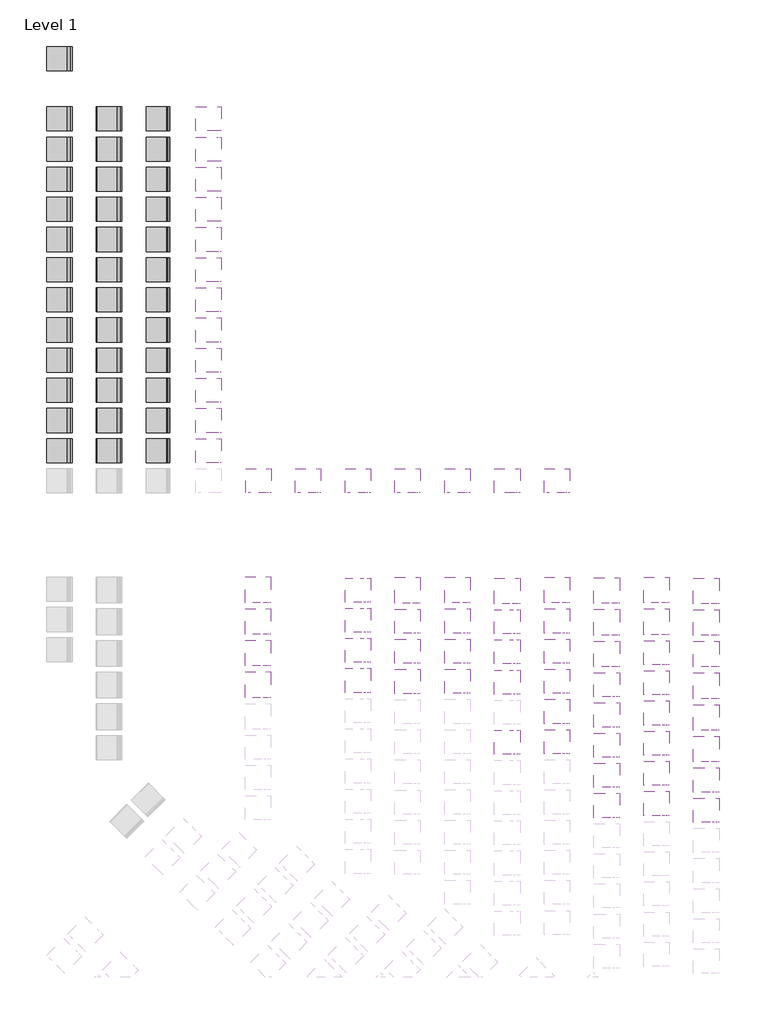
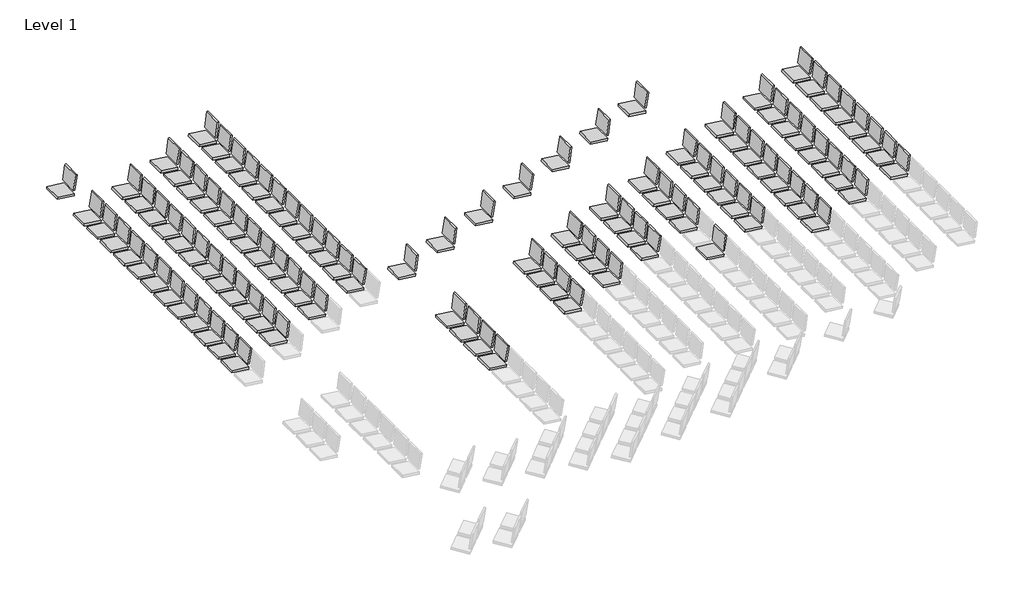
# One storey, part 14 of 19: 107 furniture elements.
"""IFC4 building model written with IfcOpenShell, lengths in millimetres."""

import ifcopenshell
import ifcopenshell.guid

model = None  # the IFC model being written
_history = None  # IfcOwnerHistory: only IFC2X3 demands one
_inside = {}  # id of a spatial element -> (the spatial element, [elements in it])
_under = {}  # id of a project, library or spatial element -> (it, [spatial elements below it])
_declared = {}  # id of a project -> (the project, [libraries it declares])
_typed = {}  # id of a type object -> (the type object, [elements of that type])
_made_of = {}  # id of a material, layer set ... -> (it, [elements and type objects made of it])


def new_model(schema):
    """Start an empty IFC model of exactly this schema.

    Asked for "IFC4X3", IfcOpenShell would pick the latest addendum, in which some entities
    have other attributes; the version numbers below select the first issue.
    IFC2X3 requires an IfcOwnerHistory on every rooted entity: one is made here for all.
    """
    global model, _history
    if schema == "IFC4X3":
        model = ifcopenshell.file(schema_version=(4, 3, 0, 0))
    else:
        model = ifcopenshell.file(schema=schema)
    _inside.clear()
    _under.clear()
    _declared.clear()
    _typed.clear()
    _made_of.clear()
    _history = None
    if model.schema == "IFC2X3":
        org = make("IfcOrganization", Name="unknown")
        user = make(
            "IfcPersonAndOrganization",
            ThePerson=make("IfcPerson", FamilyName="unknown"),
            TheOrganization=org,
        )
        app = make(
            "IfcApplication",
            ApplicationDeveloper=org,
            Version="unknown",
            ApplicationFullName="unknown",
            ApplicationIdentifier="unknown",
        )
        _history = make(
            "IfcOwnerHistory",
            OwningUser=user,
            OwningApplication=app,
            ChangeAction="ADDED",
            CreationDate=0,
        )
    return model


def make(cls, **values):
    """One entity of the class cls with the attributes given. An attribute that is None is left unset."""
    return model.create_entity(
        cls, **{name: value for name, value in values.items() if value is not None}
    )


def rooted(cls, **values):
    """An entity with a GlobalId (a new one), such as an element, a storey or a relation."""
    return make(cls, GlobalId=ifcopenshell.guid.new(), OwnerHistory=_history, **values)


def si_unit(unit_type, name, prefix=None):
    """IfcSIUnit, for example si_unit("LENGTHUNIT", "METRE", prefix="MILLI")."""
    return make("IfcSIUnit", UnitType=unit_type, Prefix=prefix, Name=name)


def assignment(units):
    """IfcUnitAssignment: the units of a project."""
    return None if units is None else make("IfcUnitAssignment", Units=units)


def point(xyz):
    """IfcCartesianPoint."""
    return None if xyz is None else make("IfcCartesianPoint", Coordinates=xyz)


def direction(xyz):
    """IfcDirection."""
    return None if xyz is None else make("IfcDirection", DirectionRatios=xyz)


def frame(location, z_axis=None, x_axis=None):
    """IfcAxis2Placement3D, a coordinate frame: its origin and axes. An axis left out is left unset."""
    return make(
        "IfcAxis2Placement3D",
        Location=point(location),
        Axis=direction(z_axis),
        RefDirection=direction(x_axis),
    )


def origin():
    """The frame at (0, 0, 0) with its axes left unset."""
    return frame((0.0, 0.0, 0.0))


def place(relative_to, where):
    """IfcLocalPlacement: puts the frame where relative to a parent placement (None: the world)."""
    return make(
        "IfcLocalPlacement", PlacementRelTo=relative_to, RelativePlacement=where
    )


def context(
    kind, dimensions, precision=None, world=None, true_north=None, identifier=None
):
    """IfcGeometricRepresentationContext, for example the 3D "Model" context."""
    return make(
        "IfcGeometricRepresentationContext",
        ContextIdentifier=identifier,
        ContextType=kind,
        CoordinateSpaceDimension=dimensions,
        Precision=precision,
        WorldCoordinateSystem=world,
        TrueNorth=true_north,
    )


def project(units=None, contexts=None):
    """IfcProject with its units and contexts."""
    return rooted(
        "IfcProject",
        Name="project",
        RepresentationContexts=contexts,
        UnitsInContext=assignment(units),
    )


def spatial(cls, under=None, at=None, **own):
    """A site, building, storey or space (cls), placed at a placement, below another one or the project."""
    s = rooted(cls, ObjectPlacement=at, **own)
    if under is not None:
        _under.setdefault(under.id(), (under, []))[1].append(s)
    return s


def ellipse_curve(where, semi_axis1, semi_axis2):
    """IfcEllipse in the frame where."""
    return make(
        "IfcEllipse", Position=where, SemiAxis1=semi_axis1, SemiAxis2=semi_axis2
    )


def trimmed(basis, trim1, trim2, sense, master):
    """IfcTrimmedCurve: the piece of a basis curve between two trims."""
    return make(
        "IfcTrimmedCurve",
        BasisCurve=basis,
        Trim1=trim1,
        Trim2=trim2,
        SenseAgreement=sense,
        MasterRepresentation=master,
    )


def faces_of(points, faces, orient=None, outer=None):
    """IfcFace entities. A face is a list of loops; a loop is a list of indices into points, from 0.

    orient and outer hold one flag for each loop. By default every Orientation is true, the
    first loop of a face is its IfcFaceOuterBound and the others are IfcFaceBound.
    """
    made = []
    for i, loops in enumerate(faces):
        bounds = []
        for j, loop in enumerate(loops):
            is_outer = j == 0 if outer is None else outer[i][j]
            bounds.append(
                make(
                    "IfcFaceOuterBound" if is_outer else "IfcFaceBound",
                    Bound=make("IfcPolyLoop", Polygon=[points[k] for k in loop]),
                    Orientation=True if orient is None else orient[i][j],
                )
            )
        made.append(make("IfcFace", Bounds=bounds))
    return made


def faceted_brep(points, faces, orient=None, outer=None, voids=None):
    """IfcFacetedBrep: a solid bounded by flat faces; with voids (closed shells), ...WithVoids."""
    shared = [point(p) for p in points]
    hull = make("IfcClosedShell", CfsFaces=faces_of(shared, faces, orient, outer))
    if voids is None:
        return make("IfcFacetedBrep", Outer=hull)
    return make(
        "IfcFacetedBrepWithVoids",
        Outer=hull,
        Voids=[
            make(cls, CfsFaces=faces_of(shared, fs, o, b)) for cls, fs, o, b in voids
        ],
    )


def shape(context_of_items, identifier, shape_type, items):
    """IfcShapeRepresentation: the items that make up one representation, for example the "Body"."""
    return make(
        "IfcShapeRepresentation",
        ContextOfItems=context_of_items,
        RepresentationIdentifier=identifier,
        RepresentationType=shape_type,
        Items=items,
    )


def source(mapping_origin, context_of_items, identifier, shape_type, items):
    """IfcRepresentationMap: a shape defined once, which mapped items show again and again."""
    return make(
        "IfcRepresentationMap",
        MappingOrigin=mapping_origin,
        MappedRepresentation=shape(context_of_items, identifier, shape_type, items),
    )


def transform(
    local_origin,
    x_axis=None,
    y_axis=None,
    z_axis=None,
    scale=None,
    scale2=None,
    scale3=None,
    uniform=True,
):
    """IfcCartesianTransformationOperator3D, or its non-uniform kind. x_axis, y_axis, z_axis: its Axis1, 2, 3."""
    if uniform:
        return make(
            "IfcCartesianTransformationOperator3D",
            Axis1=direction(x_axis),
            Axis2=direction(y_axis),
            LocalOrigin=point(local_origin),
            Scale=scale,
            Axis3=direction(z_axis),
        )
    return make(
        "IfcCartesianTransformationOperator3DnonUniform",
        Axis1=direction(x_axis),
        Axis2=direction(y_axis),
        LocalOrigin=point(local_origin),
        Scale=scale,
        Axis3=direction(z_axis),
        Scale2=scale2,
        Scale3=scale3,
    )


def mapped(mapping_source, mapping_target):
    """IfcMappedItem: shows the shape of a source again, moved by a transform."""
    return make(
        "IfcMappedItem", MappingSource=mapping_source, MappingTarget=mapping_target
    )


def made_of(thing, what):
    """Note that an element or type object is made of a material, layer set ...; save() writes the relation."""
    if what is not None:
        _made_of.setdefault(what.id(), (what, []))[1].append(thing)
    return thing


def element(
    cls,
    number,
    at=None,
    inside=None,
    cuts=None,
    type_object=None,
    material=None,
    context=None,
    identifier="Body",
    shape_type=None,
    held_by="IfcProductDefinitionShape",
    body=None,
    shapes=None,
    **own,
):
    """One element of the class cls, such as IfcWall. Its Tag is "e" and its number.

    at: its placement. inside: the storey or other place that contains it. cuts: it is an
    opening in that element (IfcRelVoidsElement). A single representation is given by context,
    identifier, shape_type and body (its items); several are given by shapes. held_by: the class
    of the entity that holds the representations. save() writes the other relations.
    """
    e = rooted(cls, Tag="e%d" % number, ObjectPlacement=at, **own)
    if body is not None:
        shapes = [shape(context, identifier, shape_type, body)]
    if shapes is not None:
        e.Representation = make(held_by, Representations=shapes)
    if inside is not None:
        _inside.setdefault(inside.id(), (inside, []))[1].append(e)
    if cuts is not None:
        rooted(
            "IfcRelVoidsElement", RelatingBuildingElement=cuts, RelatedOpeningElement=e
        )
    if type_object is not None:
        _typed.setdefault(type_object.id(), (type_object, []))[1].append(e)
    return made_of(e, material)


def aggregate(whole, parts):
    """IfcRelAggregates: a whole, such as a stair, and the parts it consists of."""
    return rooted("IfcRelAggregates", RelatingObject=whole, RelatedObjects=parts)


def save(model, path):
    """Write the relations noted so far, then the file.

    IfcRelAggregates (storeys below a building ...), IfcRelContainedInSpatialStructure (elements
    in a storey), IfcRelDefinesByType, IfcRelAssociatesMaterial and IfcRelDeclares: one each for
    every whole, place, type object, material and project.
    """
    for whole, parts in _under.values():
        aggregate(whole, parts)
    for where, things in _inside.values():
        rooted(
            "IfcRelContainedInSpatialStructure",
            RelatedElements=things,
            RelatingStructure=where,
        )
    for kind, things in _typed.values():
        rooted("IfcRelDefinesByType", RelatedObjects=things, RelatingType=kind)
    for what, things in _made_of.values():
        rooted("IfcRelAssociatesMaterial", RelatedObjects=things, RelatingMaterial=what)
    for by, libraries in _declared.values():
        rooted("IfcRelDeclares", RelatingContext=by, RelatedDefinitions=libraries)
    model.write(path)


def plane_surface(at):
    """IfcPlane: the flat surface through the origin of the frame at, square to its z axis."""
    return make("IfcPlane", Position=at)


def extruded_surface(curve, direction_of_extrusion, depth):
    """IfcSurfaceOfLinearExtrusion: the curve pushed along a direction by depth."""
    return make(
        "IfcSurfaceOfLinearExtrusion",
        SweptCurve=make("IfcArbitraryOpenProfileDef", ProfileType="CURVE", Curve=curve),
        ExtrudedDirection=direction(direction_of_extrusion),
        Depth=depth,
    )


def advanced_brep(points, edges, surfaces, faces):
    """IfcAdvancedBrep: a solid bounded by faces that lie on surfaces and meet in shared edges.

    An edge is (start, end): straight between two places in points (the first is 0);
    or (start, end, curve); or (start, end, curve, False) where it runs against its curve.
    A face is (place in surfaces, loops), or (place, loops, False) where it looks against
    its surface's normal. A loop lists edges by number (the first is 1), with a minus sign
    where the edge is run from its end to its start. The first loop is the outer one.
    """
    corners = [point(p) for p in points]
    vertices = [make("IfcVertexPoint", VertexGeometry=c) for c in corners]
    made = []
    for start, end, *more in edges:
        made.append(
            make(
                "IfcEdgeCurve",
                EdgeStart=vertices[start],
                EdgeEnd=vertices[end],
                EdgeGeometry=more[0] if more else make("IfcPolyline", Points=[corners[start], corners[end]]),
                SameSense=more[1] if len(more) > 1 else True,
            )
        )
    hull = []
    for where, loops, *sense in faces:
        bounds = []
        for j, loop in enumerate(loops):
            ring = [make("IfcOrientedEdge", EdgeElement=made[abs(k) - 1], Orientation=k > 0) for k in loop]
            bounds.append(
                make(
                    "IfcFaceOuterBound" if j == 0 else "IfcFaceBound",
                    Bound=make("IfcEdgeLoop", EdgeList=ring),
                    Orientation=True,
                )
            )
        hull.append(make("IfcAdvancedFace", Bounds=bounds, FaceSurface=surfaces[where], SameSense=sense[0] if sense else True))
    return make("IfcAdvancedBrep", Outer=make("IfcClosedShell", CfsFaces=hull))


def ref_ss_seat_ra_seat1_f27b58ac(model_context):
    return source(origin(), model_context, "Body", "SolidModel", [
        faceted_brep([(-203.2, 113.9966481, 335.124464), (-203.2, 106.9255776, 385.4377448), (-203.2, 474.641539, 430.5875877), (-203.2, 480.8325016, 380.1662432), (203.2, 113.9966481, 335.124464), (203.2, 480.8325016, 380.1662432), (203.2, 474.641539, 430.5875877), (203.2, 106.9255776, 385.4377448)], [[[0, 1, 2, 3]], [[4, 5, 6, 7]], [[1, 0, 4, 7]], [[2, 1, 7, 6]], [[3, 2, 6, 5]], [[0, 3, 5, 4]]]),
        advanced_brep(
        [(-203.2, 49.1954747, 796.2087711), (-203.2, 81.7054153, 800.7777452), (-203.2, 129.4278716, 461.2148245), (-203.2, 96.917931, 456.6458503), (203.2, 49.1954747, 796.2087711), (203.2, 96.917931, 456.6458503), (203.2, 129.4278716, 461.2148245), (203.2, 81.7054153, 800.7777452)],
        [
            (0, 1, ellipse_curve(frame((-203.2, 65.450445, 798.4932581), z_axis=(-1.0, 0.0, 0.0), x_axis=(0.0, -0.9902680687415757, -0.1391731009600272)), 16.4147172, 12.7)),
            (1, 2),
            (2, 3),
            (3, 0),
            (4, 5),
            (5, 6),
            (6, 7),
            (7, 4, ellipse_curve(frame((203.2, 65.450445, 798.4932581), z_axis=(1.0, 0.0, 0.0), x_axis=(0.0, -0.9902680687415757, -0.1391731009600272)), 16.4147172, 12.7)),
            (1, 7),
            (6, 2),
            (5, 3),
            (4, 0),
        ],
        [
            plane_surface(frame((-203.2, 113.9966481, 335.124464), z_axis=(-1.0, 0.0, 0.0), x_axis=(0.0, -0.1391731009600273, 0.9902680687415757))),
            plane_surface(frame((203.2, 113.9966481, 335.124464), z_axis=(1.0, 0.0, 0.0), x_axis=(0.0, 0.1391731009600273, -0.9902680687415757))),
            plane_surface(frame((-203.2, 81.7054153, 800.7777452), z_axis=(0.0, 0.9902680687415755, 0.13917310096002888), x_axis=(1.0, 0.0, 0.0))),
            plane_surface(frame((-203.2, 129.4278716, 461.2148245), z_axis=(0.0, 0.13917310096003188, -0.990268068741575), x_axis=(1.0, 0.0, 0.0))),
            plane_surface(frame((-203.2, 96.917931, 456.6458503), z_axis=(0.0, -0.9902680687415755, -0.13917310096002874), x_axis=(1.0, 0.0, 0.0))),
            extruded_surface(trimmed(ellipse_curve(frame((406.4, 65.450445, 798.4932581), z_axis=(-1.0, 0.0, 0.0), x_axis=(0.0, -0.9902680687415757, -0.1391731009600272)), 16.4147172, 12.7), [point((406.4, 49.1954747, 796.2087711))], [point((406.4, 81.7054153, 800.7777452))], True, "CARTESIAN"), (-406.4, 0.0, 0.0), 406.4),
        ],
        [
            (0, [[1, 2, 3, 4]]),
            (1, [[5, 6, 7, 8]]),
            (2, [[-2, 9, -7, 10]]),
            (3, [[-3, -10, -6, 11]]),
            (4, [[-4, -11, -5, 12]]),
            (5, [[-1, -12, -8, -9]]),
        ],
    ),
    ])


def ref_ss_seat_ra_seat2_75dedda8(model_context):
    return source(origin(), model_context, "Body", "SolidModel", [
        faceted_brep([(-215.9, 113.9966481, 335.124464), (-215.9, 106.9255776, 385.4377448), (-215.9, 474.641539, 430.5875877), (-215.9, 480.8325016, 380.1662432), (215.9, 113.9966481, 335.124464), (215.9, 480.8325016, 380.1662432), (215.9, 474.641539, 430.5875877), (215.9, 106.9255776, 385.4377448)], [[[0, 1, 2, 3]], [[4, 5, 6, 7]], [[1, 0, 4, 7]], [[2, 1, 7, 6]], [[3, 2, 6, 5]], [[0, 3, 5, 4]]]),
        advanced_brep(
        [(-215.9, 49.1954747, 796.2087711), (-215.9, 81.7054153, 800.7777452), (-215.9, 129.4278716, 461.2148245), (-215.9, 96.917931, 456.6458503), (215.9, 49.1954747, 796.2087711), (215.9, 96.917931, 456.6458503), (215.9, 129.4278716, 461.2148245), (215.9, 81.7054153, 800.7777452)],
        [
            (0, 1, ellipse_curve(frame((-215.9, 65.450445, 798.4932581), z_axis=(-1.0, 0.0, 0.0), x_axis=(0.0, -0.9902680687415757, -0.1391731009600272)), 16.4147172, 12.7)),
            (1, 2),
            (2, 3),
            (3, 0),
            (4, 5),
            (5, 6),
            (6, 7),
            (7, 4, ellipse_curve(frame((215.9, 65.450445, 798.4932581), z_axis=(1.0, 0.0, 0.0), x_axis=(0.0, -0.9902680687415757, -0.1391731009600272)), 16.4147172, 12.7)),
            (1, 7),
            (6, 2),
            (5, 3),
            (4, 0),
        ],
        [
            plane_surface(frame((-215.9, 113.9966481, 335.124464), z_axis=(-1.0, 0.0, 0.0), x_axis=(0.0, -0.1391731009600273, 0.9902680687415757))),
            plane_surface(frame((215.9, 113.9966481, 335.124464), z_axis=(1.0, 0.0, 0.0), x_axis=(0.0, 0.1391731009600273, -0.9902680687415757))),
            plane_surface(frame((-215.9, 81.7054153, 800.7777452), z_axis=(0.0, 0.9902680687415755, 0.13917310096002888), x_axis=(1.0, 0.0, 0.0))),
            plane_surface(frame((-215.9, 129.4278716, 461.2148245), z_axis=(0.0, 0.13917310096003188, -0.990268068741575), x_axis=(1.0, 0.0, 0.0))),
            plane_surface(frame((-215.9, 96.917931, 456.6458503), z_axis=(0.0, -0.9902680687415755, -0.13917310096002874), x_axis=(1.0, 0.0, 0.0))),
            extruded_surface(trimmed(ellipse_curve(frame((431.8, 65.450445, 798.4932581), z_axis=(-1.0, 0.0, 0.0), x_axis=(0.0, -0.9902680687415757, -0.1391731009600272)), 16.4147172, 12.7), [point((431.8, 49.1954747, 796.2087711))], [point((431.8, 81.7054153, 800.7777452))], True, "CARTESIAN"), (-431.8, 0.0, 0.0), 431.8),
        ],
        [
            (0, [[1, 2, 3, 4]]),
            (1, [[5, 6, 7, 8]]),
            (2, [[-2, 9, -7, 10]]),
            (3, [[-3, -10, -6, 11]]),
            (4, [[-4, -11, -5, 12]]),
            (5, [[-1, -12, -8, -9]]),
        ],
    ),
    ])


model = new_model("IFC4")

# Units and contexts
model_context = context("Model", 3, world=origin())
ifc_project = project(units=[si_unit("LENGTHUNIT", "METRE", prefix="MILLI")], contexts=[model_context])

# Site, building, storey
site = spatial("IfcSite", under=ifc_project)
building = spatial("IfcBuilding", under=site)
storey = spatial("IfcBuildingStorey", under=building, Name="Level 1", Elevation=0.0)

# Furniture
placement = place(None, origin())
ref_ss_seat_ra_seat1_shape = ref_ss_seat_ra_seat1_f27b58ac(model_context)
element("IfcFurniture", 1, ObjectType="ref SS_SEAT_RA : Seat1", at=placement, inside=storey, context=model_context, shape_type="MappedRepresentation", body=[
    mapped(ref_ss_seat_ra_seat1_shape, transform((28466.415, -10502.710685, 2946.4), x_axis=(4.649021090328054e-12, 1.0, 0.0), y_axis=(-1.0, 4.649021090328054e-12, 0.0), z_axis=(0.0, 0.0, 1.0))),
])
element("IfcFurniture", 2, ObjectType="ref SS_SEAT_RA : Seat1", at=placement, inside=storey, context=model_context, shape_type="MappedRepresentation", body=[
    mapped(ref_ss_seat_ra_seat1_shape, transform((29304.615, -10490.2, 3289.3), x_axis=(4.64858479888003e-12, 1.0, 0.0), y_axis=(-1.0, 4.64858479888003e-12, 0.0), z_axis=(0.0, 0.0, 1.0))),
])
element("IfcFurniture", 3, ObjectType="ref SS_SEAT_RA : Seat1", at=placement, inside=storey, context=model_context, shape_type="MappedRepresentation", body=[
    mapped(ref_ss_seat_ra_seat1_shape, transform((30142.815, -11565.4955787, 3632.2), x_axis=(4.648832404740844e-12, 1.0, 0.0), y_axis=(-1.0, 4.648832404740844e-12, 0.0), z_axis=(0.0, 0.0, 1.0))),
])
element("IfcFurniture", 4, ObjectType="ref SS_SEAT_RA : Seat1", at=placement, inside=storey, context=model_context, shape_type="MappedRepresentation", body=[
    mapped(ref_ss_seat_ra_seat1_shape, transform((31819.215, -13169.5844062, 4318.0), x_axis=(4.648803081616518e-12, 1.0, 0.0), y_axis=(-1.0, 4.648803081616518e-12, 0.0), z_axis=(0.0, 0.0, 1.0))),
])
element("IfcFurniture", 5, ObjectType="ref SS_SEAT_RA : Seat1", at=placement, inside=storey, context=model_context, shape_type="MappedRepresentation", body=[
    mapped(ref_ss_seat_ra_seat1_shape, transform((30981.015, -11023.6, 3975.1), x_axis=(4.64844783734584e-12, 1.0, 0.0), y_axis=(-1.0, 4.64844783734584e-12, 0.0), z_axis=(0.0, 0.0, 1.0))),
])
element("IfcFurniture", 6, ObjectType="ref SS_SEAT_RA : Seat1", at=placement, inside=storey, context=model_context, shape_type="MappedRepresentation", body=[
    mapped(ref_ss_seat_ra_seat1_shape, transform((30981.015, -13563.6, 3975.1), x_axis=(4.64844783734584e-12, 1.0, 0.0), y_axis=(-1.0, 4.64844783734584e-12, 0.0), z_axis=(0.0, 0.0, 1.0))),
])
element("IfcFurniture", 7, ObjectType="ref SS_SEAT_RA : Seat1", at=placement, inside=storey, context=model_context, shape_type="MappedRepresentation", body=[
    mapped(ref_ss_seat_ra_seat1_shape, transform((27628.215, -10490.2, 2603.5), x_axis=(4.6487549272474376e-12, 1.0, 0.0), y_axis=(-1.0, 4.6487549272474376e-12, 0.0), z_axis=(0.0, 0.0, 1.0))),
])
element("IfcFurniture", 8, ObjectType="ref SS_SEAT_RA : Seat1", at=placement, inside=storey, context=model_context, shape_type="MappedRepresentation", body=[
    mapped(ref_ss_seat_ra_seat1_shape, transform((26790.015, -10492.2616947, 2273.3), x_axis=(4.648454460145281e-12, 1.0, 0.0), y_axis=(-1.0, 4.648454460145281e-12, 0.0), z_axis=(0.0, 0.0, 1.0))),
])
element("IfcFurniture", 9, ObjectType="ref SS_SEAT_RA : Seat1", at=placement, inside=storey, context=model_context, shape_type="MappedRepresentation", body=[
    mapped(ref_ss_seat_ra_seat1_shape, transform((25951.815, -9969.1292611, 1943.1), x_axis=(4.648971929748407e-12, 1.0, 0.0), y_axis=(-1.0, 4.648971929748407e-12, 0.0), z_axis=(0.0, 0.0, 1.0))),
])
element("IfcFurniture", 10, ObjectType="ref SS_SEAT_RA : Seat1", at=placement, inside=storey, context=model_context, shape_type="MappedRepresentation", body=[
    mapped(ref_ss_seat_ra_seat1_shape, transform((30142.815, -13089.4955787, 3632.2), x_axis=(4.648832404740844e-12, 1.0, 0.0), y_axis=(-1.0, 4.648832404740844e-12, 0.0), z_axis=(0.0, 0.0, 1.0))),
])
element("IfcFurniture", 11, ObjectType="ref SS_SEAT_RA : Seat1", at=placement, inside=storey, context=model_context, shape_type="MappedRepresentation", body=[
    mapped(ref_ss_seat_ra_seat1_shape, transform((30142.815, -13597.4955787, 3632.2), x_axis=(4.648832404740844e-12, 1.0, 0.0), y_axis=(-1.0, 4.648832404740844e-12, 0.0), z_axis=(0.0, 0.0, 1.0))),
])
element("IfcFurniture", 12, ObjectType="ref SS_SEAT_RA : Seat1", at=placement, inside=storey, context=model_context, shape_type="MappedRepresentation", body=[
    mapped(ref_ss_seat_ra_seat1_shape, transform((25951.815, -10985.1292611, 1943.1), x_axis=(4.648971929748407e-12, 1.0, 0.0), y_axis=(-1.0, 4.648971929748407e-12, 0.0), z_axis=(0.0, 0.0, 1.0))),
])
element("IfcFurniture", 13, ObjectType="ref SS_SEAT_RA : Seat1", at=placement, inside=storey, context=model_context, shape_type="MappedRepresentation", body=[
    mapped(ref_ss_seat_ra_seat1_shape, transform((25951.815, -11493.1292611, 1943.1), x_axis=(4.648971929748407e-12, 1.0, 0.0), y_axis=(-1.0, 4.648971929748407e-12, 0.0), z_axis=(0.0, 0.0, 1.0))),
])
element("IfcFurniture", 14, ObjectType="ref SS_SEAT_RA : Seat1", at=placement, inside=storey, context=model_context, shape_type="MappedRepresentation", body=[
    mapped(ref_ss_seat_ra_seat1_shape, transform((28466.415, -11518.710685, 2946.4), x_axis=(4.649021090328054e-12, 1.0, 0.0), y_axis=(-1.0, 4.649021090328054e-12, 0.0), z_axis=(0.0, 0.0, 1.0))),
])
element("IfcFurniture", 15, ObjectType="ref SS_SEAT_RA : Seat1", at=placement, inside=storey, context=model_context, shape_type="MappedRepresentation", body=[
    mapped(ref_ss_seat_ra_seat1_shape, transform((28466.415, -12534.710685, 2946.4), x_axis=(4.649021090328054e-12, 1.0, 0.0), y_axis=(-1.0, 4.649021090328054e-12, 0.0), z_axis=(0.0, 0.0, 1.0))),
])
element("IfcFurniture", 16, ObjectType="ref SS_SEAT_RA : Seat1", at=placement, inside=storey, context=model_context, shape_type="MappedRepresentation", body=[
    mapped(ref_ss_seat_ra_seat1_shape, transform((30142.815, -12073.4955787, 3632.2), x_axis=(4.648832404740844e-12, 1.0, 0.0), y_axis=(-1.0, 4.648832404740844e-12, 0.0), z_axis=(0.0, 0.0, 1.0))),
])
element("IfcFurniture", 17, ObjectType="ref SS_SEAT_RA : Seat1", at=placement, inside=storey, context=model_context, shape_type="MappedRepresentation", body=[
    mapped(ref_ss_seat_ra_seat1_shape, transform((30142.815, -12581.4955787, 3632.2), x_axis=(4.648832404740844e-12, 1.0, 0.0), y_axis=(-1.0, 4.648832404740844e-12, 0.0), z_axis=(0.0, 0.0, 1.0))),
])
element("IfcFurniture", 18, ObjectType="ref SS_SEAT_RA : Seat1", at=placement, inside=storey, context=model_context, shape_type="MappedRepresentation", body=[
    mapped(ref_ss_seat_ra_seat1_shape, transform((30981.015, -11531.6, 3975.1), x_axis=(4.64844783734584e-12, 1.0, 0.0), y_axis=(-1.0, 4.64844783734584e-12, 0.0), z_axis=(0.0, 0.0, 1.0))),
])
element("IfcFurniture", 19, ObjectType="ref SS_SEAT_RA : Seat1", at=placement, inside=storey, context=model_context, shape_type="MappedRepresentation", body=[
    mapped(ref_ss_seat_ra_seat1_shape, transform((30981.015, -12039.6, 3975.1), x_axis=(4.64844783734584e-12, 1.0, 0.0), y_axis=(-1.0, 4.64844783734584e-12, 0.0), z_axis=(0.0, 0.0, 1.0))),
])
element("IfcFurniture", 20, ObjectType="ref SS_SEAT_RA : Seat1", at=placement, inside=storey, context=model_context, shape_type="MappedRepresentation", body=[
    mapped(ref_ss_seat_ra_seat1_shape, transform((30981.015, -12547.6, 3975.1), x_axis=(4.64844783734584e-12, 1.0, 0.0), y_axis=(-1.0, 4.64844783734584e-12, 0.0), z_axis=(0.0, 0.0, 1.0))),
])
element("IfcFurniture", 21, ObjectType="ref SS_SEAT_RA : Seat1", at=placement, inside=storey, context=model_context, shape_type="MappedRepresentation", body=[
    mapped(ref_ss_seat_ra_seat1_shape, transform((30981.015, -13055.6, 3975.1), x_axis=(4.64844783734584e-12, 1.0, 0.0), y_axis=(-1.0, 4.64844783734584e-12, 0.0), z_axis=(0.0, 0.0, 1.0))),
])
element("IfcFurniture", 22, ObjectType="ref SS_SEAT_RA : Seat1", at=placement, inside=storey, context=model_context, shape_type="MappedRepresentation", body=[
    mapped(ref_ss_seat_ra_seat1_shape, transform((31819.215, -13677.5844062, 4318.0), x_axis=(4.648803081616518e-12, 1.0, 0.0), y_axis=(-1.0, 4.648803081616518e-12, 0.0), z_axis=(0.0, 0.0, 1.0))),
])
element("IfcFurniture", 23, ObjectType="ref SS_SEAT_RA : Seat1", at=placement, inside=storey, context=model_context, shape_type="MappedRepresentation", body=[
    mapped(ref_ss_seat_ra_seat1_shape, transform((29304.615, -12522.2, 3289.3), x_axis=(4.64858479888003e-12, 1.0, 0.0), y_axis=(-1.0, 4.64858479888003e-12, 0.0), z_axis=(0.0, 0.0, 1.0))),
])
element("IfcFurniture", 24, ObjectType="ref SS_SEAT_RA : Seat1", at=placement, inside=storey, context=model_context, shape_type="MappedRepresentation", body=[
    mapped(ref_ss_seat_ra_seat1_shape, transform((29304.615, -10998.2, 3289.3), x_axis=(4.64858479888003e-12, 1.0, 0.0), y_axis=(-1.0, 4.64858479888003e-12, 0.0), z_axis=(0.0, 0.0, 1.0))),
])
element("IfcFurniture", 25, ObjectType="ref SS_SEAT_RA : Seat1", at=placement, inside=storey, context=model_context, shape_type="MappedRepresentation", body=[
    mapped(ref_ss_seat_ra_seat1_shape, transform((29304.615, -11506.2, 3289.3), x_axis=(4.64858479888003e-12, 1.0, 0.0), y_axis=(-1.0, 4.64858479888003e-12, 0.0), z_axis=(0.0, 0.0, 1.0))),
])
element("IfcFurniture", 26, ObjectType="ref SS_SEAT_RA : Seat1", at=placement, inside=storey, context=model_context, shape_type="MappedRepresentation", body=[
    mapped(ref_ss_seat_ra_seat1_shape, transform((29304.615, -12014.2, 3289.3), x_axis=(4.64858479888003e-12, 1.0, 0.0), y_axis=(-1.0, 4.64858479888003e-12, 0.0), z_axis=(0.0, 0.0, 1.0))),
])
element("IfcFurniture", 27, ObjectType="ref SS_SEAT_RA : Seat1", at=placement, inside=storey, context=model_context, shape_type="MappedRepresentation", body=[
    mapped(ref_ss_seat_ra_seat1_shape, transform((26790.015, -11000.2616947, 2273.3), x_axis=(4.648454460145281e-12, 1.0, 0.0), y_axis=(-1.0, 4.648454460145281e-12, 0.0), z_axis=(0.0, 0.0, 1.0))),
])
element("IfcFurniture", 28, ObjectType="ref SS_SEAT_RA : Seat1", at=placement, inside=storey, context=model_context, shape_type="MappedRepresentation", body=[
    mapped(ref_ss_seat_ra_seat1_shape, transform((26790.015, -11508.2616947, 2273.3), x_axis=(4.648454460145281e-12, 1.0, 0.0), y_axis=(-1.0, 4.648454460145281e-12, 0.0), z_axis=(0.0, 0.0, 1.0))),
])
element("IfcFurniture", 29, ObjectType="ref SS_SEAT_RA : Seat1", at=placement, inside=storey, context=model_context, shape_type="MappedRepresentation", body=[
    mapped(ref_ss_seat_ra_seat1_shape, transform((28466.415, -8128.0, 2946.4), x_axis=(-4.655981508964072e-12, 1.0, 0.0), y_axis=(-1.0, -4.655981508964072e-12, 0.0), z_axis=(0.0, 0.0, 1.0))),
])
element("IfcFurniture", 30, ObjectType="ref SS_SEAT_RA : Seat1", at=placement, inside=storey, context=model_context, shape_type="MappedRepresentation", body=[
    mapped(ref_ss_seat_ra_seat1_shape, transform((29304.615, -8128.0, 3289.3), x_axis=(-4.655527818023404e-12, 1.0, 0.0), y_axis=(-1.0, -4.655527818023404e-12, 0.0), z_axis=(0.0, 0.0, 1.0))),
])
element("IfcFurniture", 31, ObjectType="ref SS_SEAT_RA : Seat1", at=placement, inside=storey, context=model_context, shape_type="MappedRepresentation", body=[
    mapped(ref_ss_seat_ra_seat1_shape, transform((27628.215, -8128.0, 2603.5), x_axis=(-4.65575473171705e-12, 1.0, 0.0), y_axis=(-1.0, -4.65575473171705e-12, 0.0), z_axis=(0.0, 0.0, 1.0))),
])
element("IfcFurniture", 32, ObjectType="ref SS_SEAT_RA : Seat1", at=placement, inside=storey, context=model_context, shape_type="MappedRepresentation", body=[
    mapped(ref_ss_seat_ra_seat1_shape, transform((26790.015, -8128.0, 2273.3), x_axis=(-4.655527818023379e-12, 1.0, 0.0), y_axis=(-1.0, -4.655527818023379e-12, 0.0), z_axis=(0.0, 0.0, 1.0))),
])
element("IfcFurniture", 33, ObjectType="ref SS_SEAT_RA : Seat1", at=placement, inside=storey, context=model_context, shape_type="MappedRepresentation", body=[
    mapped(ref_ss_seat_ra_seat1_shape, transform((25113.615, -8128.0, 1612.9), x_axis=(-4.6555278180233624e-12, 1.0, 0.0), y_axis=(-1.0, -4.6555278180233624e-12, 0.0), z_axis=(0.0, 0.0, 1.0))),
])
element("IfcFurniture", 34, ObjectType="ref SS_SEAT_RA : Seat1", at=placement, inside=storey, context=model_context, shape_type="MappedRepresentation", body=[
    mapped(ref_ss_seat_ra_seat1_shape, transform((24275.415, -8128.0, 1282.7), x_axis=(-4.6557054234587395e-12, 1.0, 0.0), y_axis=(-1.0, -4.6557054234587395e-12, 0.0), z_axis=(0.0, 0.0, 1.0))),
])
element("IfcFurniture", 35, ObjectType="ref SS_SEAT_RA : Seat1", at=placement, inside=storey, context=model_context, shape_type="MappedRepresentation", body=[
    mapped(ref_ss_seat_ra_seat1_shape, transform((21760.815, -6096.0, 317.5), x_axis=(-4.655797289648931e-12, 1.0, 0.0), y_axis=(-1.0, -4.655797289648931e-12, 0.0), z_axis=(0.0, 0.0, 1.0))),
])
element("IfcFurniture", 36, ObjectType="ref SS_SEAT_RA : Seat1", at=placement, inside=storey, context=model_context, shape_type="MappedRepresentation", body=[
    mapped(ref_ss_seat_ra_seat1_shape, transform((21760.815, -6604.0, 317.5), x_axis=(-4.655797289648931e-12, 1.0, 0.0), y_axis=(-1.0, -4.655797289648931e-12, 0.0), z_axis=(0.0, 0.0, 1.0))),
])
element("IfcFurniture", 37, ObjectType="ref SS_SEAT_RA : Seat1", at=placement, inside=storey, context=model_context, shape_type="MappedRepresentation", body=[
    mapped(ref_ss_seat_ra_seat1_shape, transform((21760.815, -7112.0, 317.5), x_axis=(-4.655797289648931e-12, 1.0, 0.0), y_axis=(-1.0, -4.655797289648931e-12, 0.0), z_axis=(0.0, 0.0, 1.0))),
])
element("IfcFurniture", 38, ObjectType="ref SS_SEAT_RA : Seat1", at=placement, inside=storey, context=model_context, shape_type="MappedRepresentation", body=[
    mapped(ref_ss_seat_ra_seat1_shape, transform((21760.815, -7620.0, 317.5), x_axis=(-4.655797289648931e-12, 1.0, 0.0), y_axis=(-1.0, -4.655797289648931e-12, 0.0), z_axis=(0.0, 0.0, 1.0))),
])
element("IfcFurniture", 39, ObjectType="ref SS_SEAT_RA : Seat1", at=placement, inside=storey, context=model_context, shape_type="MappedRepresentation", body=[
    mapped(ref_ss_seat_ra_seat1_shape, transform((22599.015, -6604.0, 635.0), x_axis=(-4.655527818025659e-12, 1.0, 0.0), y_axis=(-1.0, -4.655527818025659e-12, 0.0), z_axis=(0.0, 0.0, 1.0))),
])
element("IfcFurniture", 40, ObjectType="ref SS_SEAT_RA : Seat1", at=placement, inside=storey, context=model_context, shape_type="MappedRepresentation", body=[
    mapped(ref_ss_seat_ra_seat1_shape, transform((22599.015, -7112.0, 635.0), x_axis=(-4.655527818025659e-12, 1.0, 0.0), y_axis=(-1.0, -4.655527818025659e-12, 0.0), z_axis=(0.0, 0.0, 1.0))),
])
element("IfcFurniture", 41, ObjectType="ref SS_SEAT_RA : Seat1", at=placement, inside=storey, context=model_context, shape_type="MappedRepresentation", body=[
    mapped(ref_ss_seat_ra_seat1_shape, transform((22599.015, -7620.0, 635.0), x_axis=(-4.655527818025659e-12, 1.0, 0.0), y_axis=(-1.0, -4.655527818025659e-12, 0.0), z_axis=(0.0, 0.0, 1.0))),
])
element("IfcFurniture", 42, ObjectType="ref SS_SEAT_RA : Seat1", at=placement, inside=storey, context=model_context, shape_type="MappedRepresentation", body=[
    mapped(ref_ss_seat_ra_seat1_shape, transform((23437.215, -5588.0, 952.5), x_axis=(-4.654972989598559e-12, 1.0, 0.0), y_axis=(-1.0, -4.654972989598559e-12, 0.0), z_axis=(0.0, 0.0, 1.0))),
])
element("IfcFurniture", 43, ObjectType="ref SS_SEAT_RA : Seat1", at=placement, inside=storey, context=model_context, shape_type="MappedRepresentation", body=[
    mapped(ref_ss_seat_ra_seat1_shape, transform((23437.215, -6096.0, 952.5), x_axis=(-4.654972989598559e-12, 1.0, 0.0), y_axis=(-1.0, -4.654972989598559e-12, 0.0), z_axis=(0.0, 0.0, 1.0))),
])
element("IfcFurniture", 44, ObjectType="ref SS_SEAT_RA : Seat1", at=placement, inside=storey, context=model_context, shape_type="MappedRepresentation", body=[
    mapped(ref_ss_seat_ra_seat1_shape, transform((23437.215, -6604.0, 952.5), x_axis=(-4.654972989598559e-12, 1.0, 0.0), y_axis=(-1.0, -4.654972989598559e-12, 0.0), z_axis=(0.0, 0.0, 1.0))),
])
element("IfcFurniture", 45, ObjectType="ref SS_SEAT_RA : Seat1", at=placement, inside=storey, context=model_context, shape_type="MappedRepresentation", body=[
    mapped(ref_ss_seat_ra_seat1_shape, transform((23437.215, -7112.0, 952.5), x_axis=(-4.654972989598559e-12, 1.0, 0.0), y_axis=(-1.0, -4.654972989598559e-12, 0.0), z_axis=(0.0, 0.0, 1.0))),
])
element("IfcFurniture", 46, ObjectType="ref SS_SEAT_RA : Seat1", at=placement, inside=storey, context=model_context, shape_type="MappedRepresentation", body=[
    mapped(ref_ss_seat_ra_seat1_shape, transform((23437.215, -7620.0, 952.5), x_axis=(-4.654972989598559e-12, 1.0, 0.0), y_axis=(-1.0, -4.654972989598559e-12, 0.0), z_axis=(0.0, 0.0, 1.0))),
])
element("IfcFurniture", 47, ObjectType="ref SS_SEAT_RA : Seat1", at=placement, inside=storey, context=model_context, shape_type="MappedRepresentation", body=[
    mapped(ref_ss_seat_ra_seat1_shape, transform((20922.615, -7112.0, 0.0), x_axis=(-4.6553409893148456e-12, 1.0, 0.0), y_axis=(-1.0, -4.6553409893148456e-12, 0.0), z_axis=(0.0, 0.0, 1.0))),
])
element("IfcFurniture", 48, ObjectType="ref SS_SEAT_RA : Seat1", at=placement, inside=storey, context=model_context, shape_type="MappedRepresentation", body=[
    mapped(ref_ss_seat_ra_seat1_shape, transform((20922.615, -7620.0, 0.0), x_axis=(-4.6553409893148456e-12, 1.0, 0.0), y_axis=(-1.0, -4.6553409893148456e-12, 0.0), z_axis=(0.0, 0.0, 1.0))),
])
element("IfcFurniture", 49, ObjectType="ref SS_SEAT_RA : Seat1", at=placement, inside=storey, context=model_context, shape_type="MappedRepresentation", body=[
    mapped(ref_ss_seat_ra_seat1_shape, transform((20922.615, -6604.0, 0.0), x_axis=(-4.6553409893148456e-12, 1.0, 0.0), y_axis=(-1.0, -4.6553409893148456e-12, 0.0), z_axis=(0.0, 0.0, 1.0))),
])
element("IfcFurniture", 50, ObjectType="ref SS_SEAT_RA : Seat1", at=placement, inside=storey, context=model_context, shape_type="MappedRepresentation", body=[
    mapped(ref_ss_seat_ra_seat1_shape, transform((25951.815, -8128.0, 1943.1), x_axis=(-4.655932348384424e-12, 1.0, 0.0), y_axis=(-1.0, -4.655932348384424e-12, 0.0), z_axis=(0.0, 0.0, 1.0))),
])
element("IfcFurniture", 51, ObjectType="ref SS_SEAT_RA : Seat1", at=placement, inside=storey, context=model_context, shape_type="MappedRepresentation", body=[
    mapped(ref_ss_seat_ra_seat1_shape, transform((23437.215, -3556.0, 952.5), x_axis=(-4.654972989598559e-12, 1.0, 0.0), y_axis=(-1.0, -4.654972989598559e-12, 0.0), z_axis=(0.0, 0.0, 1.0))),
])
element("IfcFurniture", 52, ObjectType="ref SS_SEAT_RA : Seat1", at=placement, inside=storey, context=model_context, shape_type="MappedRepresentation", body=[
    mapped(ref_ss_seat_ra_seat1_shape, transform((23437.215, -4064.0, 952.5), x_axis=(-4.654972989598559e-12, 1.0, 0.0), y_axis=(-1.0, -4.654972989598559e-12, 0.0), z_axis=(0.0, 0.0, 1.0))),
])
element("IfcFurniture", 53, ObjectType="ref SS_SEAT_RA : Seat1", at=placement, inside=storey, context=model_context, shape_type="MappedRepresentation", body=[
    mapped(ref_ss_seat_ra_seat1_shape, transform((23437.215, -4572.0, 952.5), x_axis=(-4.654972989598559e-12, 1.0, 0.0), y_axis=(-1.0, -4.654972989598559e-12, 0.0), z_axis=(0.0, 0.0, 1.0))),
])
element("IfcFurniture", 54, ObjectType="ref SS_SEAT_RA : Seat1", at=placement, inside=storey, context=model_context, shape_type="MappedRepresentation", body=[
    mapped(ref_ss_seat_ra_seat1_shape, transform((23437.215, -5080.0, 952.5), x_axis=(-4.654972989598559e-12, 1.0, 0.0), y_axis=(-1.0, -4.654972989598559e-12, 0.0), z_axis=(0.0, 0.0, 1.0))),
])
element("IfcFurniture", 55, ObjectType="ref SS_SEAT_RA : Seat1", at=placement, inside=storey, context=model_context, shape_type="MappedRepresentation", body=[
    mapped(ref_ss_seat_ra_seat1_shape, transform((23437.215, -2032.0, 952.5), x_axis=(-4.654972989598559e-12, 1.0, 0.0), y_axis=(-1.0, -4.654972989598559e-12, 0.0), z_axis=(0.0, 0.0, 1.0))),
])
element("IfcFurniture", 56, ObjectType="ref SS_SEAT_RA : Seat1", at=placement, inside=storey, context=model_context, shape_type="MappedRepresentation", body=[
    mapped(ref_ss_seat_ra_seat1_shape, transform((23437.215, -2540.0, 952.5), x_axis=(-4.654972989598559e-12, 1.0, 0.0), y_axis=(-1.0, -4.654972989598559e-12, 0.0), z_axis=(0.0, 0.0, 1.0))),
])
element("IfcFurniture", 57, ObjectType="ref SS_SEAT_RA : Seat1", at=placement, inside=storey, context=model_context, shape_type="MappedRepresentation", body=[
    mapped(ref_ss_seat_ra_seat1_shape, transform((23437.215, -3048.0, 952.5), x_axis=(-4.654972989598559e-12, 1.0, 0.0), y_axis=(-1.0, -4.654972989598559e-12, 0.0), z_axis=(0.0, 0.0, 1.0))),
])
element("IfcFurniture", 58, ObjectType="ref SS_SEAT_RA : Seat1", at=placement, inside=storey, context=model_context, shape_type="MappedRepresentation", body=[
    mapped(ref_ss_seat_ra_seat1_shape, transform((22599.015, -2032.0, 635.0), x_axis=(-4.655527818025659e-12, 1.0, 0.0), y_axis=(-1.0, -4.655527818025659e-12, 0.0), z_axis=(0.0, 0.0, 1.0))),
])
element("IfcFurniture", 59, ObjectType="ref SS_SEAT_RA : Seat1", at=placement, inside=storey, context=model_context, shape_type="MappedRepresentation", body=[
    mapped(ref_ss_seat_ra_seat1_shape, transform((22599.015, -2540.0, 635.0), x_axis=(-4.655527818025659e-12, 1.0, 0.0), y_axis=(-1.0, -4.655527818025659e-12, 0.0), z_axis=(0.0, 0.0, 1.0))),
])
element("IfcFurniture", 60, ObjectType="ref SS_SEAT_RA : Seat1", at=placement, inside=storey, context=model_context, shape_type="MappedRepresentation", body=[
    mapped(ref_ss_seat_ra_seat1_shape, transform((22599.015, -3048.0, 635.0), x_axis=(-4.655527818025659e-12, 1.0, 0.0), y_axis=(-1.0, -4.655527818025659e-12, 0.0), z_axis=(0.0, 0.0, 1.0))),
])
element("IfcFurniture", 61, ObjectType="ref SS_SEAT_RA : Seat1", at=placement, inside=storey, context=model_context, shape_type="MappedRepresentation", body=[
    mapped(ref_ss_seat_ra_seat1_shape, transform((22599.015, -3556.0, 635.0), x_axis=(-4.655527818025659e-12, 1.0, 0.0), y_axis=(-1.0, -4.655527818025659e-12, 0.0), z_axis=(0.0, 0.0, 1.0))),
])
element("IfcFurniture", 62, ObjectType="ref SS_SEAT_RA : Seat1", at=placement, inside=storey, context=model_context, shape_type="MappedRepresentation", body=[
    mapped(ref_ss_seat_ra_seat1_shape, transform((22599.015, -4064.0, 635.0), x_axis=(-4.655527818025659e-12, 1.0, 0.0), y_axis=(-1.0, -4.655527818025659e-12, 0.0), z_axis=(0.0, 0.0, 1.0))),
])
element("IfcFurniture", 63, ObjectType="ref SS_SEAT_RA : Seat1", at=placement, inside=storey, context=model_context, shape_type="MappedRepresentation", body=[
    mapped(ref_ss_seat_ra_seat1_shape, transform((22599.015, -4572.0, 635.0), x_axis=(-4.655527818025659e-12, 1.0, 0.0), y_axis=(-1.0, -4.655527818025659e-12, 0.0), z_axis=(0.0, 0.0, 1.0))),
])
element("IfcFurniture", 64, ObjectType="ref SS_SEAT_RA : Seat1", at=placement, inside=storey, context=model_context, shape_type="MappedRepresentation", body=[
    mapped(ref_ss_seat_ra_seat1_shape, transform((22599.015, -5080.0, 635.0), x_axis=(-4.655527818025659e-12, 1.0, 0.0), y_axis=(-1.0, -4.655527818025659e-12, 0.0), z_axis=(0.0, 0.0, 1.0))),
])
element("IfcFurniture", 65, ObjectType="ref SS_SEAT_RA : Seat1", at=placement, inside=storey, context=model_context, shape_type="MappedRepresentation", body=[
    mapped(ref_ss_seat_ra_seat1_shape, transform((22599.015, -5588.0, 635.0), x_axis=(-4.655527818025659e-12, 1.0, 0.0), y_axis=(-1.0, -4.655527818025659e-12, 0.0), z_axis=(0.0, 0.0, 1.0))),
])
element("IfcFurniture", 66, ObjectType="ref SS_SEAT_RA : Seat1", at=placement, inside=storey, context=model_context, shape_type="MappedRepresentation", body=[
    mapped(ref_ss_seat_ra_seat1_shape, transform((22599.015, -6096.0, 635.0), x_axis=(-4.655527818025659e-12, 1.0, 0.0), y_axis=(-1.0, -4.655527818025659e-12, 0.0), z_axis=(0.0, 0.0, 1.0))),
])
element("IfcFurniture", 67, ObjectType="ref SS_SEAT_RA : Seat1", at=placement, inside=storey, context=model_context, shape_type="MappedRepresentation", body=[
    mapped(ref_ss_seat_ra_seat1_shape, transform((21760.815, -2032.0, 317.5), x_axis=(-4.655797289648931e-12, 1.0, 0.0), y_axis=(-1.0, -4.655797289648931e-12, 0.0), z_axis=(0.0, 0.0, 1.0))),
])
element("IfcFurniture", 68, ObjectType="ref SS_SEAT_RA : Seat1", at=placement, inside=storey, context=model_context, shape_type="MappedRepresentation", body=[
    mapped(ref_ss_seat_ra_seat1_shape, transform((21760.815, -2540.0, 317.5), x_axis=(-4.655797289648931e-12, 1.0, 0.0), y_axis=(-1.0, -4.655797289648931e-12, 0.0), z_axis=(0.0, 0.0, 1.0))),
])
element("IfcFurniture", 69, ObjectType="ref SS_SEAT_RA : Seat1", at=placement, inside=storey, context=model_context, shape_type="MappedRepresentation", body=[
    mapped(ref_ss_seat_ra_seat1_shape, transform((21760.815, -3048.0, 317.5), x_axis=(-4.655797289648931e-12, 1.0, 0.0), y_axis=(-1.0, -4.655797289648931e-12, 0.0), z_axis=(0.0, 0.0, 1.0))),
])
element("IfcFurniture", 70, ObjectType="ref SS_SEAT_RA : Seat1", at=placement, inside=storey, context=model_context, shape_type="MappedRepresentation", body=[
    mapped(ref_ss_seat_ra_seat1_shape, transform((21760.815, -3556.0, 317.5), x_axis=(-4.655797289648931e-12, 1.0, 0.0), y_axis=(-1.0, -4.655797289648931e-12, 0.0), z_axis=(0.0, 0.0, 1.0))),
])
element("IfcFurniture", 71, ObjectType="ref SS_SEAT_RA : Seat1", at=placement, inside=storey, context=model_context, shape_type="MappedRepresentation", body=[
    mapped(ref_ss_seat_ra_seat1_shape, transform((21760.815, -4064.0, 317.5), x_axis=(-4.655797289648931e-12, 1.0, 0.0), y_axis=(-1.0, -4.655797289648931e-12, 0.0), z_axis=(0.0, 0.0, 1.0))),
])
element("IfcFurniture", 72, ObjectType="ref SS_SEAT_RA : Seat1", at=placement, inside=storey, context=model_context, shape_type="MappedRepresentation", body=[
    mapped(ref_ss_seat_ra_seat1_shape, transform((21760.815, -4572.0, 317.5), x_axis=(-4.655797289648931e-12, 1.0, 0.0), y_axis=(-1.0, -4.655797289648931e-12, 0.0), z_axis=(0.0, 0.0, 1.0))),
])
element("IfcFurniture", 73, ObjectType="ref SS_SEAT_RA : Seat1", at=placement, inside=storey, context=model_context, shape_type="MappedRepresentation", body=[
    mapped(ref_ss_seat_ra_seat1_shape, transform((21760.815, -5080.0, 317.5), x_axis=(-4.655797289648931e-12, 1.0, 0.0), y_axis=(-1.0, -4.655797289648931e-12, 0.0), z_axis=(0.0, 0.0, 1.0))),
])
element("IfcFurniture", 74, ObjectType="ref SS_SEAT_RA : Seat1", at=placement, inside=storey, context=model_context, shape_type="MappedRepresentation", body=[
    mapped(ref_ss_seat_ra_seat1_shape, transform((21760.815, -5588.0, 317.5), x_axis=(-4.655797289648931e-12, 1.0, 0.0), y_axis=(-1.0, -4.655797289648931e-12, 0.0), z_axis=(0.0, 0.0, 1.0))),
])
element("IfcFurniture", 75, ObjectType="ref SS_SEAT_RA : Seat1", at=placement, inside=storey, context=model_context, shape_type="MappedRepresentation", body=[
    mapped(ref_ss_seat_ra_seat1_shape, transform((20922.615, -1016.0, 0.0), x_axis=(-4.6553409893148456e-12, 1.0, 0.0), y_axis=(-1.0, -4.6553409893148456e-12, 0.0), z_axis=(0.0, 0.0, 1.0))),
])
element("IfcFurniture", 76, ObjectType="ref SS_SEAT_RA : Seat1", at=placement, inside=storey, context=model_context, shape_type="MappedRepresentation", body=[
    mapped(ref_ss_seat_ra_seat1_shape, transform((20922.615, -2032.0, 0.0), x_axis=(-4.6553409893148456e-12, 1.0, 0.0), y_axis=(-1.0, -4.6553409893148456e-12, 0.0), z_axis=(0.0, 0.0, 1.0))),
])
element("IfcFurniture", 77, ObjectType="ref SS_SEAT_RA : Seat1", at=placement, inside=storey, context=model_context, shape_type="MappedRepresentation", body=[
    mapped(ref_ss_seat_ra_seat1_shape, transform((20922.615, -2540.0, 0.0), x_axis=(-4.6553409893148456e-12, 1.0, 0.0), y_axis=(-1.0, -4.6553409893148456e-12, 0.0), z_axis=(0.0, 0.0, 1.0))),
])
element("IfcFurniture", 78, ObjectType="ref SS_SEAT_RA : Seat1", at=placement, inside=storey, context=model_context, shape_type="MappedRepresentation", body=[
    mapped(ref_ss_seat_ra_seat1_shape, transform((20922.615, -3048.0, 0.0), x_axis=(-4.6553409893148456e-12, 1.0, 0.0), y_axis=(-1.0, -4.6553409893148456e-12, 0.0), z_axis=(0.0, 0.0, 1.0))),
])
element("IfcFurniture", 79, ObjectType="ref SS_SEAT_RA : Seat1", at=placement, inside=storey, context=model_context, shape_type="MappedRepresentation", body=[
    mapped(ref_ss_seat_ra_seat1_shape, transform((20922.615, -3556.0, 0.0), x_axis=(-4.6553409893148456e-12, 1.0, 0.0), y_axis=(-1.0, -4.6553409893148456e-12, 0.0), z_axis=(0.0, 0.0, 1.0))),
])
element("IfcFurniture", 80, ObjectType="ref SS_SEAT_RA : Seat1", at=placement, inside=storey, context=model_context, shape_type="MappedRepresentation", body=[
    mapped(ref_ss_seat_ra_seat1_shape, transform((20922.615, -4064.0, 0.0), x_axis=(-4.6553409893148456e-12, 1.0, 0.0), y_axis=(-1.0, -4.6553409893148456e-12, 0.0), z_axis=(0.0, 0.0, 1.0))),
])
element("IfcFurniture", 81, ObjectType="ref SS_SEAT_RA : Seat1", at=placement, inside=storey, context=model_context, shape_type="MappedRepresentation", body=[
    mapped(ref_ss_seat_ra_seat1_shape, transform((20922.615, -4572.0, 0.0), x_axis=(-4.6553409893148456e-12, 1.0, 0.0), y_axis=(-1.0, -4.6553409893148456e-12, 0.0), z_axis=(0.0, 0.0, 1.0))),
])
element("IfcFurniture", 82, ObjectType="ref SS_SEAT_RA : Seat1", at=placement, inside=storey, context=model_context, shape_type="MappedRepresentation", body=[
    mapped(ref_ss_seat_ra_seat1_shape, transform((20922.615, -5080.0, 0.0), x_axis=(-4.6553409893148456e-12, 1.0, 0.0), y_axis=(-1.0, -4.6553409893148456e-12, 0.0), z_axis=(0.0, 0.0, 1.0))),
])
element("IfcFurniture", 83, ObjectType="ref SS_SEAT_RA : Seat1", at=placement, inside=storey, context=model_context, shape_type="MappedRepresentation", body=[
    mapped(ref_ss_seat_ra_seat1_shape, transform((20922.615, -5588.0, 0.0), x_axis=(-4.6553409893148456e-12, 1.0, 0.0), y_axis=(-1.0, -4.6553409893148456e-12, 0.0), z_axis=(0.0, 0.0, 1.0))),
])
element("IfcFurniture", 84, ObjectType="ref SS_SEAT_RA : Seat1", at=placement, inside=storey, context=model_context, shape_type="MappedRepresentation", body=[
    mapped(ref_ss_seat_ra_seat1_shape, transform((20922.615, -6096.0, 0.0), x_axis=(-4.6553409893148456e-12, 1.0, 0.0), y_axis=(-1.0, -4.6553409893148456e-12, 0.0), z_axis=(0.0, 0.0, 1.0))),
])
element("IfcFurniture", 85, ObjectType="ref SS_SEAT_RA : Seat1", at=placement, inside=storey, context=model_context, shape_type="MappedRepresentation", body=[
    mapped(ref_ss_seat_ra_seat1_shape, transform((27628.215, -10998.2, 2603.5), x_axis=(4.6487549272474376e-12, 1.0, 0.0), y_axis=(-1.0, 4.6487549272474376e-12, 0.0), z_axis=(0.0, 0.0, 1.0))),
])
element("IfcFurniture", 86, ObjectType="ref SS_SEAT_RA : Seat1", at=placement, inside=storey, context=model_context, shape_type="MappedRepresentation", body=[
    mapped(ref_ss_seat_ra_seat1_shape, transform((27628.215, -11506.2, 2603.5), x_axis=(4.6487549272474376e-12, 1.0, 0.0), y_axis=(-1.0, 4.6487549272474376e-12, 0.0), z_axis=(0.0, 0.0, 1.0))),
])
element("IfcFurniture", 87, ObjectType="ref SS_SEAT_RA : Seat1", at=placement, inside=storey, context=model_context, shape_type="MappedRepresentation", body=[
    mapped(ref_ss_seat_ra_seat1_shape, transform((28466.415, -11010.710685, 2946.4), x_axis=(4.649021090328054e-12, 1.0, 0.0), y_axis=(-1.0, 4.649021090328054e-12, 0.0), z_axis=(0.0, 0.0, 1.0))),
])
element("IfcFurniture", 88, ObjectType="ref SS_SEAT_RA : Seat1", at=placement, inside=storey, context=model_context, shape_type="MappedRepresentation", body=[
    mapped(ref_ss_seat_ra_seat1_shape, transform((25951.815, -10477.1292611, 1943.1), x_axis=(4.648971929748407e-12, 1.0, 0.0), y_axis=(-1.0, 4.648971929748407e-12, 0.0), z_axis=(0.0, 0.0, 1.0))),
])
ref_ss_seat_ra_seat2_shape = ref_ss_seat_ra_seat2_75dedda8(model_context)
element("IfcFurniture", 89, ObjectType="ref SS_SEAT_RA : Seat2", at=placement, inside=storey, context=model_context, shape_type="MappedRepresentation", body=[
    mapped(ref_ss_seat_ra_seat2_shape, transform((29304.615, -9969.5, 3289.3), x_axis=(4.64858479888003e-12, 1.0, 0.0), y_axis=(-1.0, 4.64858479888003e-12, 0.0), z_axis=(0.0, 0.0, 1.0))),
])
element("IfcFurniture", 90, ObjectType="ref SS_SEAT_RA : Seat2", at=placement, inside=storey, context=model_context, shape_type="MappedRepresentation", body=[
    mapped(ref_ss_seat_ra_seat2_shape, transform((26790.015, -9971.5616947, 2273.3), x_axis=(4.648454460145281e-12, 1.0, 0.0), y_axis=(-1.0, 4.648454460145281e-12, 0.0), z_axis=(0.0, 0.0, 1.0))),
])
element("IfcFurniture", 91, ObjectType="ref SS_SEAT_RA : Seat2", at=placement, inside=storey, context=model_context, shape_type="MappedRepresentation", body=[
    mapped(ref_ss_seat_ra_seat2_shape, transform((27628.215, -9969.5, 2603.5), x_axis=(4.6487549272474376e-12, 1.0, 0.0), y_axis=(-1.0, 4.6487549272474376e-12, 0.0), z_axis=(0.0, 0.0, 1.0))),
])
element("IfcFurniture", 92, ObjectType="ref SS_SEAT_RA : Seat2", at=placement, inside=storey, context=model_context, shape_type="MappedRepresentation", body=[
    mapped(ref_ss_seat_ra_seat2_shape, transform((28466.415, -9982.010685, 2946.4), x_axis=(4.649021090328054e-12, 1.0, 0.0), y_axis=(-1.0, 4.649021090328054e-12, 0.0), z_axis=(0.0, 0.0, 1.0))),
])
element("IfcFurniture", 93, ObjectType="ref SS_SEAT_RA : Seat2", at=placement, inside=storey, context=model_context, shape_type="MappedRepresentation", body=[
    mapped(ref_ss_seat_ra_seat2_shape, transform((30981.015, -9969.5, 3975.1), x_axis=(4.64844783734584e-12, 1.0, 0.0), y_axis=(-1.0, 4.64844783734584e-12, 0.0), z_axis=(0.0, 0.0, 1.0))),
])
element("IfcFurniture", 94, ObjectType="ref SS_SEAT_RA : Seat2", at=placement, inside=storey, context=model_context, shape_type="MappedRepresentation", body=[
    mapped(ref_ss_seat_ra_seat2_shape, transform((30981.015, -10502.9, 3975.1), x_axis=(4.64844783734584e-12, 1.0, 0.0), y_axis=(-1.0, 4.64844783734584e-12, 0.0), z_axis=(0.0, 0.0, 1.0))),
])
element("IfcFurniture", 95, ObjectType="ref SS_SEAT_RA : Seat2", at=placement, inside=storey, context=model_context, shape_type="MappedRepresentation", body=[
    mapped(ref_ss_seat_ra_seat2_shape, transform((31819.215, -12115.4844062, 4318.0), x_axis=(4.648803081616518e-12, 1.0, 0.0), y_axis=(-1.0, 4.648803081616518e-12, 0.0), z_axis=(0.0, 0.0, 1.0))),
])
element("IfcFurniture", 96, ObjectType="ref SS_SEAT_RA : Seat2", at=placement, inside=storey, context=model_context, shape_type="MappedRepresentation", body=[
    mapped(ref_ss_seat_ra_seat2_shape, transform((31819.215, -12648.8844062, 4318.0), x_axis=(4.648803081616518e-12, 1.0, 0.0), y_axis=(-1.0, 4.648803081616518e-12, 0.0), z_axis=(0.0, 0.0, 1.0))),
])
element("IfcFurniture", 97, ObjectType="ref SS_SEAT_RA : Seat2", at=placement, inside=storey, context=model_context, shape_type="MappedRepresentation", body=[
    mapped(ref_ss_seat_ra_seat2_shape, transform((30142.815, -9977.9955787, 3632.2), x_axis=(4.648832404740844e-12, 1.0, 0.0), y_axis=(-1.0, 4.648832404740844e-12, 0.0), z_axis=(0.0, 0.0, 1.0))),
])
element("IfcFurniture", 98, ObjectType="ref SS_SEAT_RA : Seat2", at=placement, inside=storey, context=model_context, shape_type="MappedRepresentation", body=[
    mapped(ref_ss_seat_ra_seat2_shape, transform((30142.815, -10511.3955787, 3632.2), x_axis=(4.648832404740844e-12, 1.0, 0.0), y_axis=(-1.0, 4.648832404740844e-12, 0.0), z_axis=(0.0, 0.0, 1.0))),
])
element("IfcFurniture", 99, ObjectType="ref SS_SEAT_RA : Seat2", at=placement, inside=storey, context=model_context, shape_type="MappedRepresentation", body=[
    mapped(ref_ss_seat_ra_seat2_shape, transform((30142.815, -11044.7955787, 3632.2), x_axis=(4.648832404740844e-12, 1.0, 0.0), y_axis=(-1.0, 4.648832404740844e-12, 0.0), z_axis=(0.0, 0.0, 1.0))),
])
element("IfcFurniture", 100, ObjectType="ref SS_SEAT_RA : Seat2", at=placement, inside=storey, context=model_context, shape_type="MappedRepresentation", body=[
    mapped(ref_ss_seat_ra_seat2_shape, transform((31819.215, -9981.8844062, 4318.0), x_axis=(4.648803081616518e-12, 1.0, 0.0), y_axis=(-1.0, 4.648803081616518e-12, 0.0), z_axis=(0.0, 0.0, 1.0))),
])
element("IfcFurniture", 101, ObjectType="ref SS_SEAT_RA : Seat2", at=placement, inside=storey, context=model_context, shape_type="MappedRepresentation", body=[
    mapped(ref_ss_seat_ra_seat2_shape, transform((31819.215, -10515.2844062, 4318.0), x_axis=(4.648803081616518e-12, 1.0, 0.0), y_axis=(-1.0, 4.648803081616518e-12, 0.0), z_axis=(0.0, 0.0, 1.0))),
])
element("IfcFurniture", 102, ObjectType="ref SS_SEAT_RA : Seat2", at=placement, inside=storey, context=model_context, shape_type="MappedRepresentation", body=[
    mapped(ref_ss_seat_ra_seat2_shape, transform((31819.215, -11048.6844062, 4318.0), x_axis=(4.648803081616518e-12, 1.0, 0.0), y_axis=(-1.0, 4.648803081616518e-12, 0.0), z_axis=(0.0, 0.0, 1.0))),
])
element("IfcFurniture", 103, ObjectType="ref SS_SEAT_RA : Seat2", at=placement, inside=storey, context=model_context, shape_type="MappedRepresentation", body=[
    mapped(ref_ss_seat_ra_seat2_shape, transform((31819.215, -11582.0844062, 4318.0), x_axis=(4.648803081616518e-12, 1.0, 0.0), y_axis=(-1.0, 4.648803081616518e-12, 0.0), z_axis=(0.0, 0.0, 1.0))),
])
element("IfcFurniture", 104, ObjectType="ref SS_SEAT_RA : Seat2", at=placement, inside=storey, context=model_context, shape_type="MappedRepresentation", body=[
    mapped(ref_ss_seat_ra_seat2_shape, transform((24266.8623975, -11029.973627, 1282.7), x_axis=(4.648745004822722e-12, 1.0, 0.0), y_axis=(-1.0, 4.648745004822722e-12, 0.0), z_axis=(0.0, 0.0, 1.0))),
])
element("IfcFurniture", 105, ObjectType="ref SS_SEAT_RA : Seat2", at=placement, inside=storey, context=model_context, shape_type="MappedRepresentation", body=[
    mapped(ref_ss_seat_ra_seat2_shape, transform((24266.8623975, -11563.373627, 1282.7), x_axis=(4.648745004822722e-12, 1.0, 0.0), y_axis=(-1.0, 4.648745004822722e-12, 0.0), z_axis=(0.0, 0.0, 1.0))),
])
element("IfcFurniture", 106, ObjectType="ref SS_SEAT_RA : Seat2", at=placement, inside=storey, context=model_context, shape_type="MappedRepresentation", body=[
    mapped(ref_ss_seat_ra_seat2_shape, transform((24266.8623975, -9963.173627, 1282.7), x_axis=(4.648745004822722e-12, 1.0, 0.0), y_axis=(-1.0, 4.648745004822722e-12, 0.0), z_axis=(0.0, 0.0, 1.0))),
])
element("IfcFurniture", 107, ObjectType="ref SS_SEAT_RA : Seat2", at=placement, inside=storey, context=model_context, shape_type="MappedRepresentation", body=[
    mapped(ref_ss_seat_ra_seat2_shape, transform((24266.8623975, -10496.573627, 1282.7), x_axis=(4.648745004822722e-12, 1.0, 0.0), y_axis=(-1.0, 4.648745004822722e-12, 0.0), z_axis=(0.0, 0.0, 1.0))),
])

save(model, "model.ifc")
